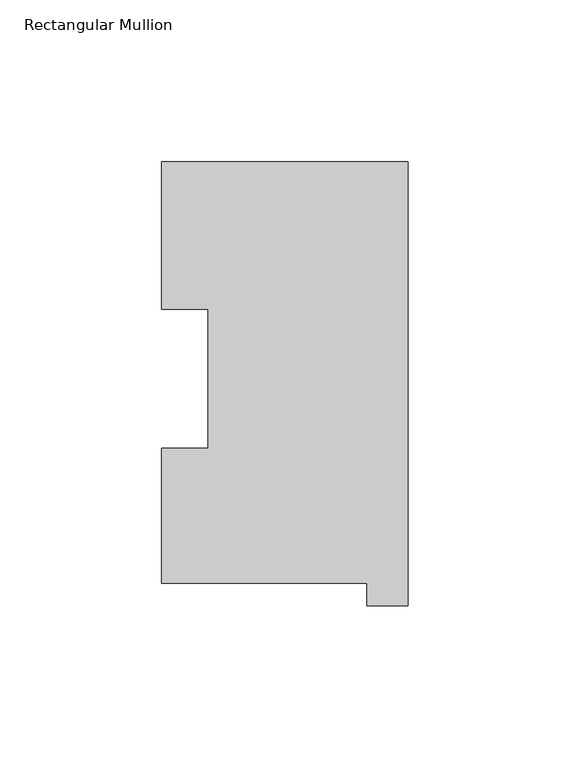
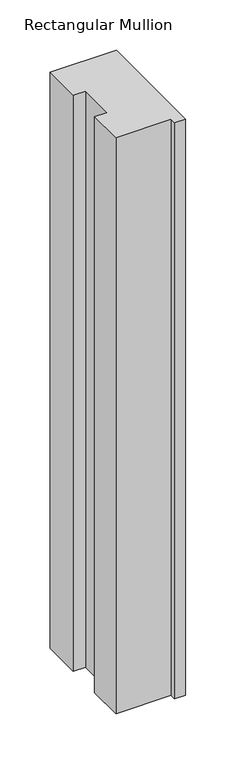
"""IFC4 building model written with IfcOpenShell, lengths in millimetres: member geometry, Rectangular Mullion."""

from ifc_helpers import new_model, si_unit, frame, origin, place, context, project, spatial, polyline, outline, extrude, source, transform, mapped, element, save


def rectangular_mullion_98438104(model_context):
    return source(origin(), model_context, "Body", "SweptSolid", [
        extrude(outline(polyline([(-76.2, 130.2646937), (0.0, 130.2646937), (0.0, -6.9461063), (-12.7, -6.9461063), (-12.7, -0.0373063), (-76.2, -0.0373063), (-76.2, 41.7508474), (-61.9101579, 41.7508474), (-61.9101579, 84.6335938), (-76.2, 84.6335938), (-76.2, 130.2646937)])), frame((0.0, 0.0, -698.5864919), z_axis=(0.0, 0.0, 1.0), x_axis=(1.0, 0.0, 0.0)), (0.0, 0.0, 1.0), 698.5864919),
    ])


if __name__ == "__main__":
    model = new_model("IFC4")
    model_context = context("Model", 3, world=origin())
    ifc_project = project(units=[si_unit("LENGTHUNIT", "METRE", prefix="MILLI")], contexts=[model_context])
    site = spatial("IfcSite", under=ifc_project)
    building = spatial("IfcBuilding", under=site)
    placement = place(None, origin())
    rectangular_mullion_shape = rectangular_mullion_98438104(model_context)
    element("IfcMember", 1, ObjectType="Rectangular Mullion", at=placement, inside=building, context=model_context, shape_type="MappedRepresentation", body=[
        mapped(rectangular_mullion_shape, transform((0.0, 0.0, 0.0), x_axis=(1.0, 0.0, 0.0), y_axis=(0.0, 1.0, 0.0), z_axis=(0.0, 0.0, 1.0))),
    ])
    save(model, "model.ifc")
